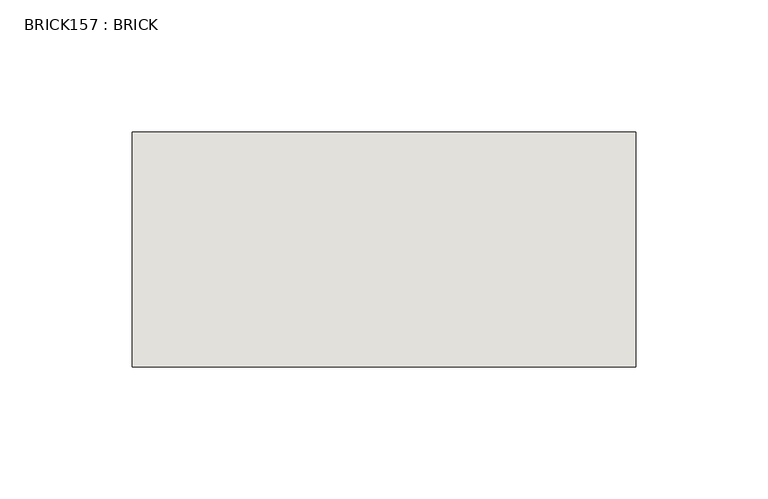
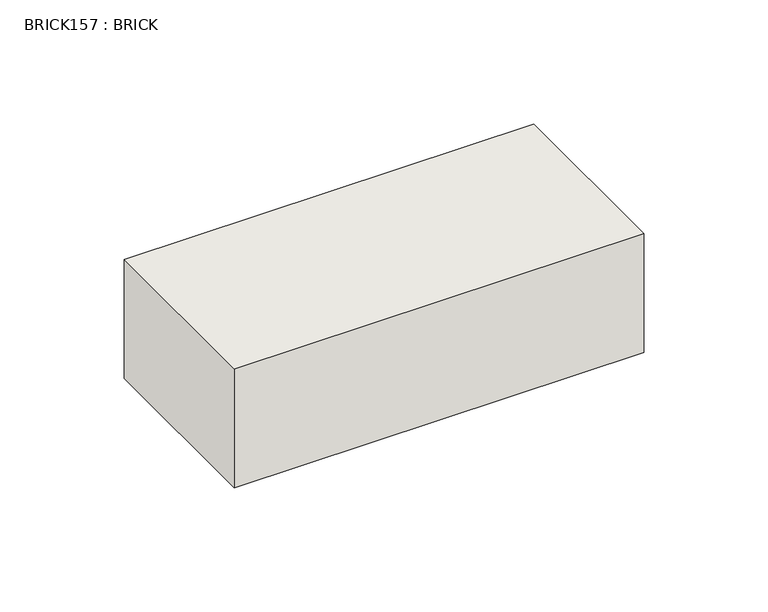
"""IFC4 building model written with IfcOpenShell, lengths in millimetres: wall geometry, BRICK157 : BRICK."""

from ifc_helpers import new_model, si_unit, frame, origin, place, context, project, spatial, polyline, outline, extrude, source, transform, mapped, element, save


def brick157_brick_ceeb7fde(model_context):
    return source(origin(), model_context, "Body", "SweptSolid", [
        extrude(outline(polyline([(-384.3469289, 2586.2274125), (-193.8469289, 2586.2274125), (-193.8469289, 2497.3274125), (-384.3469289, 2497.3274125), (-384.3469289, 2586.2274125)])), frame((0.0, 0.0, 214.0148438), z_axis=(0.0, 0.0, 1.0), x_axis=(1.0, 0.0, 0.0)), (0.0, 0.0, 1.0), 58.4398437),
    ])


if __name__ == "__main__":
    model = new_model("IFC4")
    model_context = context("Model", 3, world=origin())
    ifc_project = project(units=[si_unit("LENGTHUNIT", "METRE", prefix="MILLI")], contexts=[model_context])
    site = spatial("IfcSite", under=ifc_project)
    building = spatial("IfcBuilding", under=site)
    placement = place(None, origin())
    brick157_brick_shape = brick157_brick_ceeb7fde(model_context)
    element("IfcWall", 1, ObjectType="BRICK157 : BRICK", at=placement, inside=building, context=model_context, shape_type="MappedRepresentation", body=[
        mapped(brick157_brick_shape, transform((0.0, 0.0, 0.0), x_axis=(1.0, 0.0, 0.0), y_axis=(0.0, 1.0, 0.0), z_axis=(0.0, 0.0, 1.0))),
    ])
    save(model, "model.ifc")
